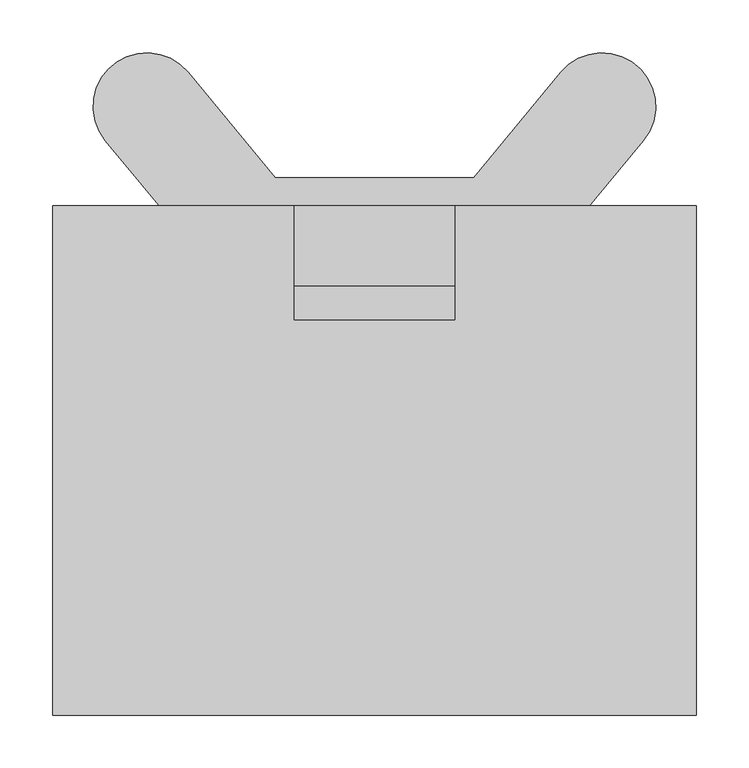
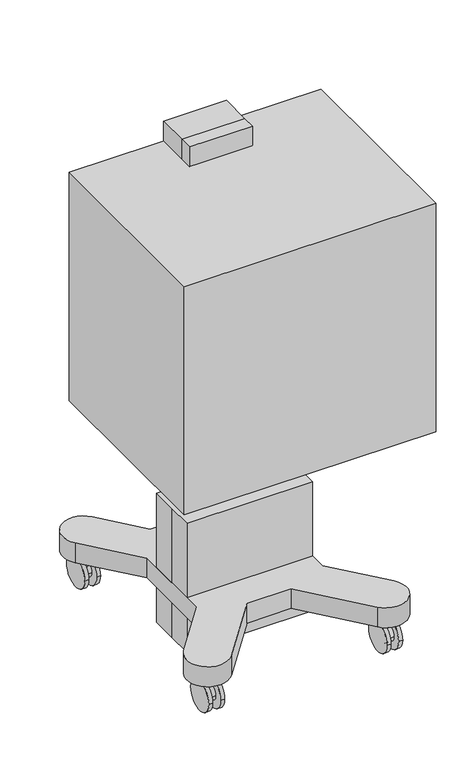
"""IFC4 building model written with IfcOpenShell, lengths in millimetres: proxy geometry."""

from ifc_helpers import new_model, si_unit, point, frame, frame_2d, origin, origin_with_axes, place, context, project, spatial, polyline, circle_curve, trimmed, segment, composite_curve, outline, extrude, faceted_brep, source, transform, mapped, element, save


def specialty_equipment_9cdf67ba(model_context):
    return source(origin(), model_context, "Body", "SolidModel", [
        extrude(outline(polyline([(990.6, 241.3), (990.6, -241.3), (711.2, -241.3), (711.2, 241.3), (990.6, 241.3)]), holes=[polyline([(977.9, 228.6), (723.9, 228.6), (723.9, -228.6), (977.9, -228.6), (977.9, 228.6)])]), frame((0.0, 7.3967076, 0.0), z_axis=(0.0, 1.0, 0.0), x_axis=(0.0, 0.0, 1.0)), (0.0, 0.0, 1.0), 4.7862024),
        extrude(outline(polyline([(241.3, 12.18291), (-241.3, 12.18291), (-241.3, 58.0280886), (241.3, 58.0280886), (241.3, 12.18291)])), frame((0.0, 0.0, 711.2), z_axis=(0.0, 0.0, 1.0), x_axis=(1.0, 0.0, 0.0)), (0.0, 0.0, 1.0), 279.4),
        extrude(outline(polyline([(304.8, 166.0623981), (304.8, -316.5376019), (-304.8, -316.5376019), (-304.8, 166.0623981), (304.8, 166.0623981)])), frame((0.0, 0.0, 558.8), z_axis=(0.0, 0.0, 1.0), x_axis=(1.0, 0.0, 0.0)), (0.0, 0.0, 1.0), 584.2),
        extrude(outline(polyline([(-196.85, 635.0), (58.0280886, 635.0), (58.0280886, 444.5), (-196.85, 609.6), (-196.85, 635.0)])), frame((57.15, 0.0, 0.0), z_axis=(1.0, 0.0, 0.0), x_axis=(0.0, 1.0, 0.0)), (0.0, 0.0, 1.0), 19.05),
        faceted_brep([(211.1375, -4.7625, 644.525), (211.1375, -4.7625, 639.7625), (211.1375, -255.5875, 639.7625), (211.1375, -255.5875, 644.525), (215.9, 0.0, 644.525), (215.9, -260.35, 644.525), (215.9, -260.35, 635.0), (215.9, 0.0, 635.0), (-211.1375, -255.5875, 639.7625), (-211.1375, -255.5875, 644.525), (-215.9, -260.35, 644.525), (-215.9, -260.35, 635.0), (-211.1375, -4.7625, 639.7625), (-211.1375, -4.7625, 644.525), (-215.9, 0.0, 644.525), (-215.9, 0.0, 635.0)], [[[0, 1, 2, 3]], [[4, 5, 6, 7]], [[3, 2, 8, 9]], [[6, 5, 10, 11]], [[9, 8, 12, 13]], [[11, 10, 14, 15]], [[1, 0, 13, 12]], [[5, 4, 14, 10], [0, 3, 9, 13]], [[4, 7, 15, 14]], [[7, 6, 11, 15]], [[2, 1, 12, 8]]]),
        extrude(outline(polyline([(-196.85, 635.0), (58.0280886, 635.0), (58.0280886, 444.5), (-196.85, 609.6), (-196.85, 635.0)])), frame((-76.2, 0.0, 0.0), z_axis=(1.0, 0.0, 0.0), x_axis=(0.0, 1.0, 0.0)), (0.0, 0.0, 1.0), 19.05),
        extrude(outline(polyline([(76.2, 89.7780886), (76.2, 58.0280886), (-76.2, 58.0280886), (-76.2, 89.7780886), (76.2, 89.7780886)])), frame((0.0, 0.0, 444.5), z_axis=(0.0, 0.0, 1.0), x_axis=(1.0, 0.0, 0.0)), (0.0, 0.0, 1.0), 749.3),
        extrude(outline(composite_curve([segment(polyline([(165.9780886, 1193.8), (165.9780886, 139.7), (62.2305834, 139.7)]), True, "CONTINUOUS"), segment(trimmed(circle_curve(frame_2d((29.5735373, 190.9359281)), 60.7585631), [point((62.2305834, 139.7))], [point((89.7780886, 182.7496596))], True, "CARTESIAN"), True, "CONTINUOUS"), segment(polyline([(89.7780886, 182.7496596), (89.7780886, 1193.8), (165.9780886, 1193.8)]), True, "CONTINUOUS")], self_intersect=False)), frame((-76.2, 0.0, 0.0), z_axis=(1.0, 0.0, 0.0), x_axis=(0.0, 1.0, 0.0)), (0.0, 0.0, 1.0), 152.4),
        extrude(outline(composite_curve([segment(trimmed(circle_curve(frame_2d((-215.9, 257.2471418)), 9.525), [point((-206.375, 257.2471418))], [point((-225.425, 257.2471418))], False, "CARTESIAN"), True, "CONTINUOUS"), segment(trimmed(circle_curve(frame_2d((-215.9, 257.2471418)), 9.525), [point((-225.425, 257.2471418))], [point((-206.375, 257.2471418))], False, "CARTESIAN"), True, "CONTINUOUS")], self_intersect=False)), frame((0.0, 0.0, 38.9774203), z_axis=(0.0, 0.0, 1.0), x_axis=(1.0, 0.0, 0.0)), (0.0, 0.0, 1.0), 49.9225797),
        extrude(outline(composite_curve([segment(trimmed(circle_curve(frame_2d((260.2876401, 38.1)), 38.1), [point((298.3876401, 38.1))], [point((222.1876401, 38.1))], False, "CARTESIAN"), True, "CONTINUOUS"), segment(trimmed(circle_curve(frame_2d((260.2876401, 38.1)), 38.1), [point((222.1876401, 38.1))], [point((298.3876401, 38.1))], False, "CARTESIAN"), True, "CONTINUOUS")], self_intersect=False)), frame((-206.375, 0.0, 0.0), z_axis=(1.0, 0.0, 0.0), x_axis=(0.0, 1.0, 0.0)), (0.0, 0.0, 1.0), 9.525),
        extrude(outline(composite_curve([segment(trimmed(circle_curve(frame_2d((260.35, 38.1)), 19.05), [point((279.4, 38.1))], [point((241.3, 38.1))], False, "CARTESIAN"), True, "CONTINUOUS"), segment(trimmed(circle_curve(frame_2d((260.35, 38.1)), 19.05), [point((241.3, 38.1))], [point((279.4, 38.1))], False, "CARTESIAN"), True, "CONTINUOUS")], self_intersect=False)), frame((-225.425, 0.0, 0.0), z_axis=(1.0, 0.0, 0.0), x_axis=(0.0, 1.0, 0.0)), (0.0, 0.0, 1.0), 19.05),
        extrude(outline(composite_curve([segment(trimmed(circle_curve(frame_2d((260.2876401, 38.1)), 38.1), [point((298.3876401, 38.1))], [point((222.1876401, 38.1))], False, "CARTESIAN"), True, "CONTINUOUS"), segment(trimmed(circle_curve(frame_2d((260.2876401, 38.1)), 38.1), [point((222.1876401, 38.1))], [point((298.3876401, 38.1))], False, "CARTESIAN"), True, "CONTINUOUS")], self_intersect=False)), frame((-234.95, 0.0, 0.0), z_axis=(1.0, 0.0, 0.0), x_axis=(0.0, 1.0, 0.0)), (0.0, 0.0, 1.0), 9.525),
        extrude(outline(composite_curve([segment(trimmed(circle_curve(frame_2d((-215.9, -257.2471418)), 9.525), [point((-206.375, -257.2471418))], [point((-225.425, -257.2471418))], False, "CARTESIAN"), True, "CONTINUOUS"), segment(trimmed(circle_curve(frame_2d((-215.9, -257.2471418)), 9.525), [point((-225.425, -257.2471418))], [point((-206.375, -257.2471418))], False, "CARTESIAN"), True, "CONTINUOUS")], self_intersect=False)), frame((0.0, 0.0, 38.9774203), z_axis=(0.0, 0.0, 1.0), x_axis=(1.0, 0.0, 0.0)), (0.0, 0.0, 1.0), 49.9225797),
        extrude(outline(composite_curve([segment(trimmed(circle_curve(frame_2d((-260.2876401, 38.1)), 38.1), [point((-298.3876401, 38.1))], [point((-222.1876401, 38.1))], False, "CARTESIAN"), True, "CONTINUOUS"), segment(trimmed(circle_curve(frame_2d((-260.2876401, 38.1)), 38.1), [point((-222.1876401, 38.1))], [point((-298.3876401, 38.1))], False, "CARTESIAN"), True, "CONTINUOUS")], self_intersect=False)), frame((-206.375, 0.0, 0.0), z_axis=(1.0, 0.0, 0.0), x_axis=(0.0, 1.0, 0.0)), (0.0, 0.0, 1.0), 9.525),
        extrude(outline(composite_curve([segment(trimmed(circle_curve(frame_2d((-260.35, 38.1)), 19.05), [point((-279.4, 38.1))], [point((-241.3, 38.1))], False, "CARTESIAN"), True, "CONTINUOUS"), segment(trimmed(circle_curve(frame_2d((-260.35, 38.1)), 19.05), [point((-241.3, 38.1))], [point((-279.4, 38.1))], False, "CARTESIAN"), True, "CONTINUOUS")], self_intersect=False)), frame((-225.425, 0.0, 0.0), z_axis=(1.0, 0.0, 0.0), x_axis=(0.0, 1.0, 0.0)), (0.0, 0.0, 1.0), 19.05),
        extrude(outline(composite_curve([segment(trimmed(circle_curve(frame_2d((-260.2876401, 38.1)), 38.1), [point((-298.3876401, 38.1))], [point((-222.1876401, 38.1))], False, "CARTESIAN"), True, "CONTINUOUS"), segment(trimmed(circle_curve(frame_2d((-260.2876401, 38.1)), 38.1), [point((-222.1876401, 38.1))], [point((-298.3876401, 38.1))], False, "CARTESIAN"), True, "CONTINUOUS")], self_intersect=False)), frame((-234.95, 0.0, 0.0), z_axis=(1.0, 0.0, 0.0), x_axis=(0.0, 1.0, 0.0)), (0.0, 0.0, 1.0), 9.525),
        extrude(outline(composite_curve([segment(trimmed(circle_curve(frame_2d((215.9, 257.2471418)), 9.525), [point((206.375, 257.2471418))], [point((225.425, 257.2471418))], False, "CARTESIAN"), True, "CONTINUOUS"), segment(trimmed(circle_curve(frame_2d((215.9, 257.2471418)), 9.525), [point((225.425, 257.2471418))], [point((206.375, 257.2471418))], False, "CARTESIAN"), True, "CONTINUOUS")], self_intersect=False)), frame((0.0, 0.0, 38.9774203), z_axis=(0.0, 0.0, 1.0), x_axis=(1.0, 0.0, 0.0)), (0.0, 0.0, 1.0), 49.9225797),
        extrude(outline(composite_curve([segment(trimmed(circle_curve(frame_2d((260.2876401, 38.1)), 38.1), [point((298.3876401, 38.1))], [point((222.1876401, 38.1))], False, "CARTESIAN"), True, "CONTINUOUS"), segment(trimmed(circle_curve(frame_2d((260.2876401, 38.1)), 38.1), [point((222.1876401, 38.1))], [point((298.3876401, 38.1))], False, "CARTESIAN"), True, "CONTINUOUS")], self_intersect=False)), frame((196.85, 0.0, 0.0), z_axis=(1.0, 0.0, 0.0), x_axis=(0.0, 1.0, 0.0)), (0.0, 0.0, 1.0), 9.525),
        extrude(outline(composite_curve([segment(trimmed(circle_curve(frame_2d((260.35, 38.1)), 19.05), [point((279.4, 38.1))], [point((241.3, 38.1))], False, "CARTESIAN"), True, "CONTINUOUS"), segment(trimmed(circle_curve(frame_2d((260.35, 38.1)), 19.05), [point((241.3, 38.1))], [point((279.4, 38.1))], False, "CARTESIAN"), True, "CONTINUOUS")], self_intersect=False)), frame((206.375, 0.0, 0.0), z_axis=(1.0, 0.0, 0.0), x_axis=(0.0, 1.0, 0.0)), (0.0, 0.0, 1.0), 19.05),
        extrude(outline(composite_curve([segment(trimmed(circle_curve(frame_2d((260.2876401, 38.1)), 38.1), [point((298.3876401, 38.1))], [point((222.1876401, 38.1))], False, "CARTESIAN"), True, "CONTINUOUS"), segment(trimmed(circle_curve(frame_2d((260.2876401, 38.1)), 38.1), [point((222.1876401, 38.1))], [point((298.3876401, 38.1))], False, "CARTESIAN"), True, "CONTINUOUS")], self_intersect=False)), frame((225.425, 0.0, 0.0), z_axis=(1.0, 0.0, 0.0), x_axis=(0.0, 1.0, 0.0)), (0.0, 0.0, 1.0), 9.525),
        extrude(outline(composite_curve([segment(trimmed(circle_curve(frame_2d((215.9, -257.2471418)), 9.525), [point((206.375, -257.2471418))], [point((225.425, -257.2471418))], False, "CARTESIAN"), True, "CONTINUOUS"), segment(trimmed(circle_curve(frame_2d((215.9, -257.2471418)), 9.525), [point((225.425, -257.2471418))], [point((206.375, -257.2471418))], False, "CARTESIAN"), True, "CONTINUOUS")], self_intersect=False)), frame((0.0, 0.0, 38.9774203), z_axis=(0.0, 0.0, 1.0), x_axis=(1.0, 0.0, 0.0)), (0.0, 0.0, 1.0), 49.9225797),
        extrude(outline(composite_curve([segment(trimmed(circle_curve(frame_2d((-260.2876401, 38.1)), 38.1), [point((-298.3876401, 38.1))], [point((-222.1876401, 38.1))], False, "CARTESIAN"), True, "CONTINUOUS"), segment(trimmed(circle_curve(frame_2d((-260.2876401, 38.1)), 38.1), [point((-222.1876401, 38.1))], [point((-298.3876401, 38.1))], False, "CARTESIAN"), True, "CONTINUOUS")], self_intersect=False)), frame((196.85, 0.0, 0.0), z_axis=(1.0, 0.0, 0.0), x_axis=(0.0, 1.0, 0.0)), (0.0, 0.0, 1.0), 9.525),
        extrude(outline(composite_curve([segment(trimmed(circle_curve(frame_2d((-260.35, 38.1)), 19.05), [point((-279.4, 38.1))], [point((-241.3, 38.1))], False, "CARTESIAN"), True, "CONTINUOUS"), segment(trimmed(circle_curve(frame_2d((-260.35, 38.1)), 19.05), [point((-241.3, 38.1))], [point((-279.4, 38.1))], False, "CARTESIAN"), True, "CONTINUOUS")], self_intersect=False)), frame((206.375, 0.0, 0.0), z_axis=(1.0, 0.0, 0.0), x_axis=(0.0, 1.0, 0.0)), (0.0, 0.0, 1.0), 19.05),
        extrude(outline(composite_curve([segment(trimmed(circle_curve(frame_2d((-260.2876401, 38.1)), 38.1), [point((-298.3876401, 38.1))], [point((-222.1876401, 38.1))], False, "CARTESIAN"), True, "CONTINUOUS"), segment(trimmed(circle_curve(frame_2d((-260.2876401, 38.1)), 38.1), [point((-222.1876401, 38.1))], [point((-298.3876401, 38.1))], False, "CARTESIAN"), True, "CONTINUOUS")], self_intersect=False)), frame((225.425, 0.0, 0.0), z_axis=(1.0, 0.0, 0.0), x_axis=(0.0, 1.0, 0.0)), (0.0, 0.0, 1.0), 9.525),
        extrude(outline(composite_curve([segment(polyline([(93.9865963, 192.9187071), (176.6628647, 292.6165602)]), True, "CONTINUOUS"), segment(trimmed(circle_curve(frame_2d((215.7665691, 260.189098)), 50.8), [point((176.6628647, 292.6165602))], [point((254.8702735, 227.7616359))], False, "CARTESIAN"), True, "CONTINUOUS"), segment(polyline([(254.8702735, 227.7616359), (152.4, 104.1945414), (152.4, -104.1945414), (254.8702735, -227.7616359)]), True, "CONTINUOUS"), segment(trimmed(circle_curve(frame_2d((215.7665691, -260.189098)), 50.8), [point((254.8702735, -227.7616359))], [point((176.6628647, -292.6165602))], False, "CARTESIAN"), True, "CONTINUOUS"), segment(polyline([(176.6628647, -292.6165602), (53.1141065, -143.6312929), (-53.1141065, -143.6312929), (-176.6628647, -292.6165602)]), True, "CONTINUOUS"), segment(trimmed(circle_curve(frame_2d((-215.7665691, -260.189098)), 50.8), [point((-176.6628647, -292.6165602))], [point((-254.8702735, -227.7616359))], False, "CARTESIAN"), True, "CONTINUOUS"), segment(polyline([(-254.8702735, -227.7616359), (-152.4, -104.1945414), (-152.4, 104.1945414), (-254.8702735, 227.7616359)]), True, "CONTINUOUS"), segment(trimmed(circle_curve(frame_2d((-215.7665691, 260.189098)), 50.8), [point((-254.8702735, 227.7616359))], [point((-176.6628647, 292.6165602))], False, "CARTESIAN"), True, "CONTINUOUS"), segment(polyline([(-176.6628647, 292.6165602), (-93.9865963, 192.9187071), (93.9865963, 192.9187071)]), True, "CONTINUOUS")], self_intersect=False)), frame((0.0, 0.0, 88.9), z_axis=(0.0, 0.0, 1.0), x_axis=(1.0, 0.0, 0.0)), (0.0, 0.0, 1.0), 50.8),
        extrude(outline(polyline([(-152.4, 63.5), (152.4, 63.5), (152.4, -63.5), (-152.4, -63.5), (-152.4, 0.0), (-152.4, 63.5)])), origin_with_axes(), (0.0, 0.0, 1.0), 330.2),
    ])


if __name__ == "__main__":
    model = new_model("IFC4")
    model_context = context("Model", 3, world=origin())
    ifc_project = project(units=[si_unit("LENGTHUNIT", "METRE", prefix="MILLI")], contexts=[model_context])
    site = spatial("IfcSite", under=ifc_project)
    building = spatial("IfcBuilding", under=site)
    placement = place(None, origin())
    specialty_equipment_shape = specialty_equipment_9cdf67ba(model_context)
    element("IfcBuildingElementProxy", 1, Name="Specialty Equipment", at=placement, inside=building, context=model_context, shape_type="MappedRepresentation", body=[
        mapped(specialty_equipment_shape, transform((0.0, 0.0, 0.0), x_axis=(1.0, 0.0, 0.0), y_axis=(0.0, 1.0, 0.0), z_axis=(0.0, 0.0, 1.0))),
    ])
    save(model, "model.ifc")
